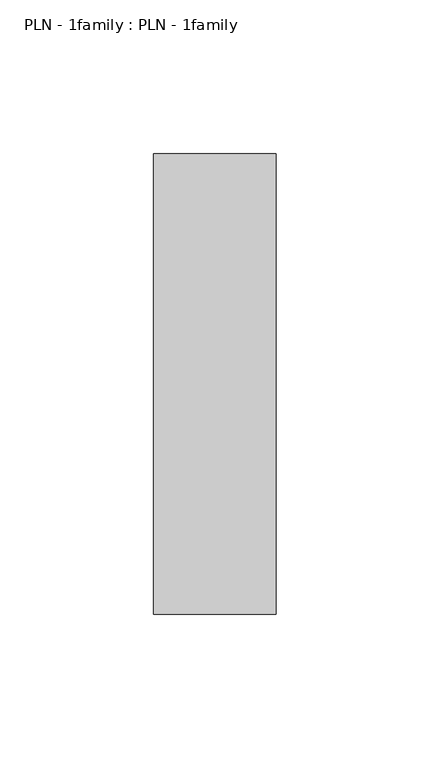
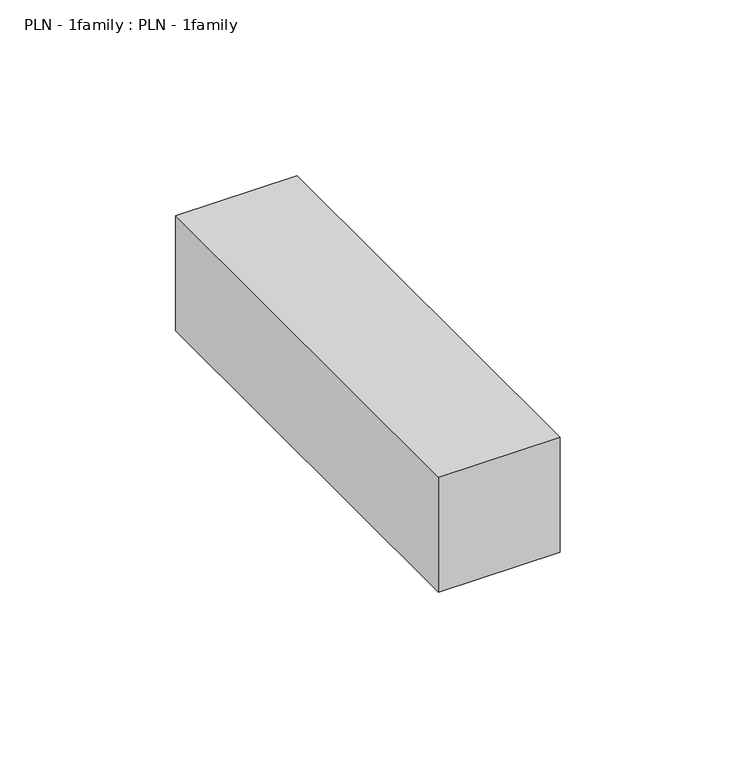
"""IFC4 building model written with IfcOpenShell, lengths in millimetres: proxy geometry, PLN - 1family : PLN - 1family."""

from ifc_helpers import new_model, si_unit, frame, origin, place, context, project, spatial, polyline, outline, extrude, source, transform, mapped, element, save


def pln_1family_pln_1family_4d2572b1(model_context):
    return source(origin(), model_context, "Body", "SweptSolid", [
        extrude(outline(polyline([(0.0, 150.0), (40.0, 150.0), (40.0, 0.0), (0.0, 0.0), (0.0, 150.0)])), frame((0.0, 0.0, 50.0), z_axis=(0.0, 0.0, 1.0), x_axis=(1.0, 0.0, 0.0)), (0.0, 0.0, 1.0), 40.0),
    ])


if __name__ == "__main__":
    model = new_model("IFC4")
    model_context = context("Model", 3, world=origin())
    ifc_project = project(units=[si_unit("LENGTHUNIT", "METRE", prefix="MILLI")], contexts=[model_context])
    site = spatial("IfcSite", under=ifc_project)
    building = spatial("IfcBuilding", under=site)
    placement = place(None, origin())
    pln_1family_pln_1family_shape = pln_1family_pln_1family_4d2572b1(model_context)
    element("IfcBuildingElementProxy", 1, Name="PLN - 1family : PLN - 1family", ObjectType="PLN - 1family : PLN - 1family", at=placement, inside=building, context=model_context, shape_type="MappedRepresentation", body=[
        mapped(pln_1family_pln_1family_shape, transform((0.0, 0.0, 0.0), x_axis=(1.0, 0.0, 0.0), y_axis=(0.0, 1.0, 0.0), z_axis=(0.0, 0.0, 1.0))),
    ])
    save(model, "model.ifc")
